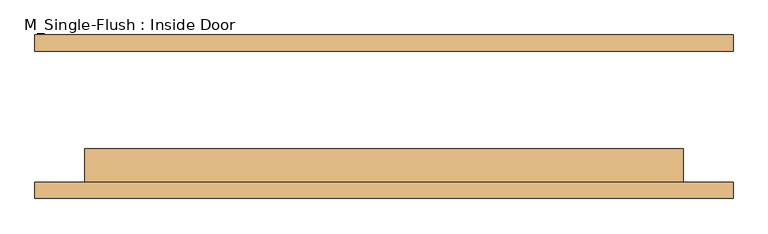
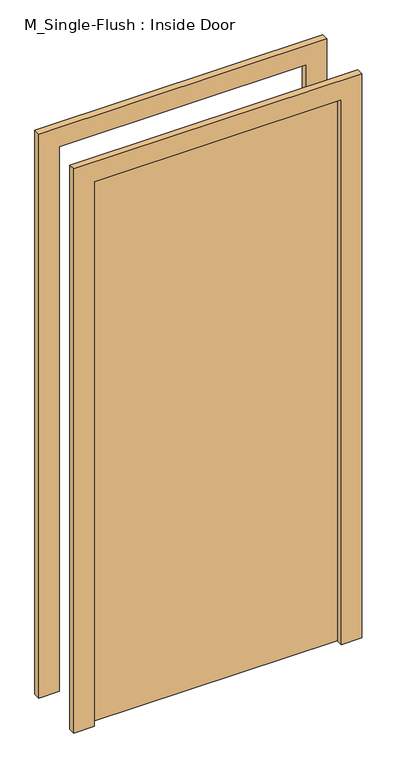
"""IFC4 building model written with IfcOpenShell, lengths in millimetres: door geometry, M_Single-Flush : Inside Door."""

from ifc_helpers import new_model, si_unit, frame, origin, origin_with_axes, place, context, project, spatial, polyline, outline, extrude, source, transform, mapped, element, save


def m_single_flush_inside_door_727434cd(model_context):
    return source(origin(), model_context, "Body", "SweptSolid", [
        extrude(outline(polyline([(2210.0, -533.5), (0.0, -533.5), (0.0, -457.5), (2134.0, -457.5), (2134.0, 457.5), (0.0, 457.5), (0.0, 533.5), (2210.0, 533.5), (2210.0, -533.5)])), frame((0.0, -125.0, 0.0), z_axis=(0.0, 1.0, 0.0), x_axis=(0.0, 0.0, 1.0)), (0.0, 0.0, 1.0), 25.0),
        extrude(outline(polyline([(2210.0, 533.5), (2210.0, -533.5), (0.0, -533.5), (0.0, -457.5), (2134.0, -457.5), (2134.0, 457.5), (0.0, 457.5), (0.0, 533.5), (2210.0, 533.5)])), frame((0.0, 100.0, 0.0), z_axis=(0.0, 1.0, 0.0), x_axis=(0.0, 0.0, 1.0)), (0.0, 0.0, 1.0), 25.0),
        extrude(outline(polyline([(457.5, -49.0), (457.5, -100.0), (-457.5, -100.0), (-457.5, -49.0), (457.5, -49.0)])), origin_with_axes(), (0.0, 0.0, 1.0), 2134.0),
    ])


if __name__ == "__main__":
    model = new_model("IFC4")
    model_context = context("Model", 3, world=origin())
    ifc_project = project(units=[si_unit("LENGTHUNIT", "METRE", prefix="MILLI")], contexts=[model_context])
    site = spatial("IfcSite", under=ifc_project)
    building = spatial("IfcBuilding", under=site)
    placement = place(None, origin())
    m_single_flush_inside_door_shape = m_single_flush_inside_door_727434cd(model_context)
    element("IfcDoor", 1, ObjectType="M_Single-Flush : Inside Door", at=placement, inside=building, context=model_context, shape_type="MappedRepresentation", body=[
        mapped(m_single_flush_inside_door_shape, transform((0.0, 0.0, 0.0), x_axis=(1.0, 0.0, 0.0), y_axis=(0.0, 1.0, 0.0), z_axis=(0.0, 0.0, 1.0))),
    ])
    save(model, "model.ifc")
